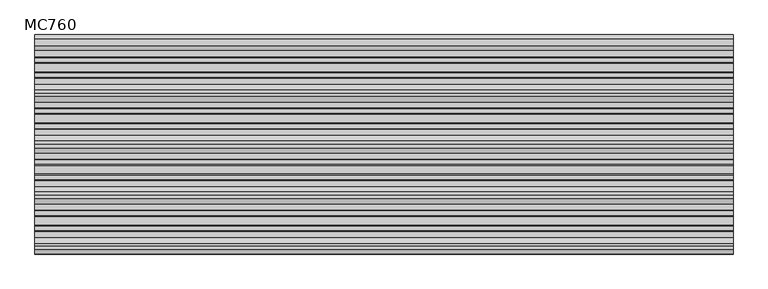
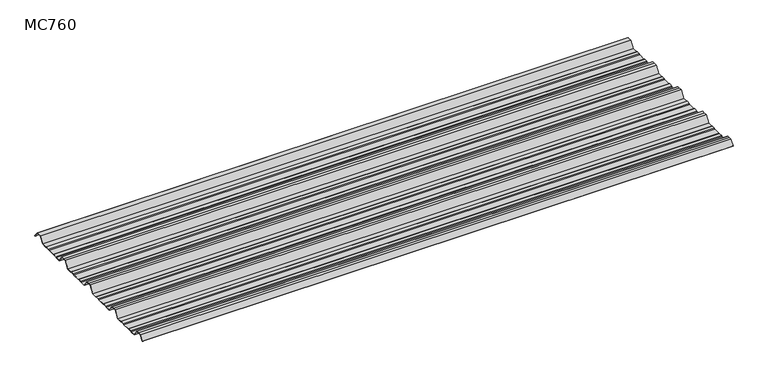
"""IFC4 building model written with IfcOpenShell, lengths in millimetres: beam geometry, MC760."""

from ifc_helpers import new_model, si_unit, point, frame, frame_2d, origin, place, context, project, spatial, polyline, circle_curve, trimmed, segment, composite_curve, outline, extrude, source, transform, mapped, element, save


def mc760_06bd867b(model_context):
    return source(origin(), model_context, "Body", "SweptSolid", [
        extrude(outline(composite_curve([segment(polyline([(-157.5000859, -25.7896475), (-178.0745114, 2.2103525), (-190.0, 2.2103525), (-201.9254886, 2.2103525), (-222.4999141, -25.7896475), (-245.1975582, -25.7896475), (-248.4126024, -23.7494212), (-264.8405937, -23.7494212), (-269.2209114, -25.7896475), (-300.7790886, -25.7896475), (-305.1594063, -23.7494212), (-321.5873976, -23.7494212), (-324.8024418, -25.7896475), (-347.5000859, -25.7896475), (-368.0745114, 2.2103525), (-380.0, 2.2103525), (-391.9254886, 2.2103525), (-412.4999141, -25.7896475), (-435.1975582, -25.7896475), (-438.4126024, -23.7494212), (-454.8405937, -23.7494212), (-459.2209114, -25.7896475), (-490.7790886, -25.7896475), (-495.1594063, -23.7494212), (-511.5873976, -23.7494212), (-514.8024418, -25.7896475), (-537.5000859, -25.7896475), (-558.0745114, 2.2103525), (-570.0, 2.2103525), (-581.9254886, 2.2103525), (-602.4999141, -25.7896475), (-625.1975582, -25.7896475), (-628.4126024, -23.7494212), (-644.8405937, -23.7494212), (-649.2209114, -25.7896475), (-680.7790886, -25.7896475), (-685.1594063, -23.7494212), (-701.5873976, -23.7494212), (-704.8024418, -25.7896475), (-727.5000859, -25.7896475), (-748.0745114, 2.2103525), (-760.0, 2.2103525), (-771.9254886, 2.2103525), (-787.4770979, -18.9540324)]), True, "CONTINUOUS"), segment(trimmed(circle_curve(frame_2d((-787.9022179, -18.6416538)), 0.5275485), [point((-787.4770979, -18.9540324))], [point((-788.327338, -18.3292752))], False, "CARTESIAN"), True, "CONTINUOUS"), segment(polyline([(-788.327338, -18.3292752), (-772.5, 3.2103525), (-760.0, 3.2103525), (-747.5, 3.2103525), (-726.9255746, -24.7896475), (-705.0929563, -24.7896475), (-701.8779121, -22.7494212), (-684.9379428, -22.7494212), (-680.5576251, -24.7896475), (-649.4423749, -24.7896475), (-645.0620572, -22.7494212), (-628.1220879, -22.7494212), (-624.9070437, -24.7896475), (-603.0744254, -24.7896475), (-582.5, 3.2103525), (-570.0, 3.2103525), (-557.5, 3.2103525), (-536.9255746, -24.7896475), (-515.0929563, -24.7896475), (-511.8779121, -22.7494212), (-494.9379428, -22.7494212), (-490.5576251, -24.7896475), (-459.4423749, -24.7896475), (-455.0620572, -22.7494212), (-438.1220879, -22.7494212), (-434.9070437, -24.7896475), (-413.0744254, -24.7896475), (-392.5, 3.2103525), (-380.0, 3.2103525), (-367.5, 3.2103525), (-346.9255746, -24.7896475), (-325.0929563, -24.7896475), (-321.8779121, -22.7494212), (-304.9379428, -22.7494212), (-300.5576251, -24.7896475), (-269.4423749, -24.7896475), (-265.0620572, -22.7494212), (-248.1220879, -22.7494212), (-244.9070437, -24.7896475), (-223.0744254, -24.7896475), (-202.5, 3.2103525), (-190.0, 3.2103525), (-177.5, 3.2103525), (-156.9255746, -24.7896475), (-135.0929563, -24.7896475), (-131.8779121, -22.7494212), (-114.9379428, -22.7494212), (-110.5576251, -24.7896475), (-79.4423749, -24.7896475), (-75.0620572, -22.7494212), (-58.1220879, -22.7494212), (-54.9070437, -24.7896475), (-30.524173, -24.7896475), (-11.4193494, 1.2103525), (11.4193494, 1.2103525), (27.9327415, -21.262935)]), True, "CONTINUOUS"), segment(trimmed(circle_curve(frame_2d((27.5298212, -21.5590012)), 0.5), [point((27.9327415, -21.262935))], [point((27.1269009, -21.8550675))], False, "CARTESIAN"), True, "CONTINUOUS"), segment(polyline([(27.1269009, -21.8550675), (10.9132102, 0.2103525), (-10.9132102, 0.2103525), (-30.0180338, -25.7896475), (-55.1975582, -25.7896475), (-58.4126024, -23.7494212), (-74.8405937, -23.7494212), (-79.2209114, -25.7896475), (-110.7790886, -25.7896475), (-115.1594063, -23.7494212), (-131.5873976, -23.7494212), (-134.8024418, -25.7896475), (-157.5000859, -25.7896475)]), True, "CONTINUOUS")], self_intersect=False)), frame((-1297.4962986, 0.0, 0.0), z_axis=(1.0, 0.0, 0.0), x_axis=(0.0, 1.0, 0.0)), (0.0, 0.0, 1.0), 2594.9925972),
    ])


if __name__ == "__main__":
    model = new_model("IFC4")
    model_context = context("Model", 3, world=origin())
    ifc_project = project(units=[si_unit("LENGTHUNIT", "METRE", prefix="MILLI")], contexts=[model_context])
    site = spatial("IfcSite", under=ifc_project)
    building = spatial("IfcBuilding", under=site)
    placement = place(None, origin())
    mc760_shape = mc760_06bd867b(model_context)
    element("IfcBeam", 1, ObjectType="MC760", at=placement, inside=building, context=model_context, shape_type="MappedRepresentation", body=[
        mapped(mc760_shape, transform((0.0, 0.0, 0.0), x_axis=(1.0, 0.0, 0.0), y_axis=(0.0, 1.0, 0.0), z_axis=(0.0, 0.0, 1.0))),
    ])
    save(model, "model.ifc")
